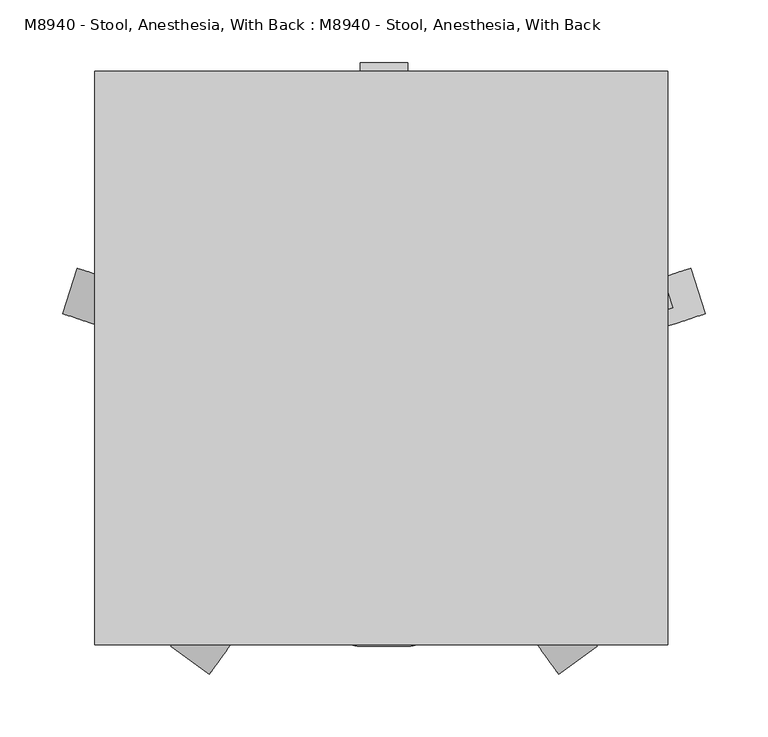
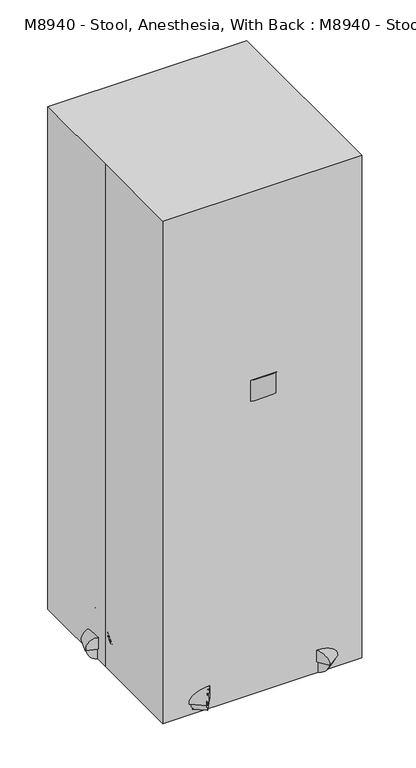
"""IFC4 building model written with IfcOpenShell, lengths in millimetres: proxy geometry, M8940 - Stool, Anesthesia, With Back : M8940 - Stool, Anesthesia, With Back."""

import ifcopenshell
import ifcopenshell.guid

model = None  # the IFC model being written
_history = None  # IfcOwnerHistory: only IFC2X3 demands one
_inside = {}  # id of a spatial element -> (the spatial element, [elements in it])
_under = {}  # id of a project, library or spatial element -> (it, [spatial elements below it])
_declared = {}  # id of a project -> (the project, [libraries it declares])
_typed = {}  # id of a type object -> (the type object, [elements of that type])
_made_of = {}  # id of a material, layer set ... -> (it, [elements and type objects made of it])


def new_model(schema):
    """Start an empty IFC model of exactly this schema.

    Asked for "IFC4X3", IfcOpenShell would pick the latest addendum, in which some entities
    have other attributes; the version numbers below select the first issue.
    IFC2X3 requires an IfcOwnerHistory on every rooted entity: one is made here for all.
    """
    global model, _history
    if schema == "IFC4X3":
        model = ifcopenshell.file(schema_version=(4, 3, 0, 0))
    else:
        model = ifcopenshell.file(schema=schema)
    _inside.clear()
    _under.clear()
    _declared.clear()
    _typed.clear()
    _made_of.clear()
    _history = None
    if model.schema == "IFC2X3":
        org = make("IfcOrganization", Name="unknown")
        user = make(
            "IfcPersonAndOrganization",
            ThePerson=make("IfcPerson", FamilyName="unknown"),
            TheOrganization=org,
        )
        app = make(
            "IfcApplication",
            ApplicationDeveloper=org,
            Version="unknown",
            ApplicationFullName="unknown",
            ApplicationIdentifier="unknown",
        )
        _history = make(
            "IfcOwnerHistory",
            OwningUser=user,
            OwningApplication=app,
            ChangeAction="ADDED",
            CreationDate=0,
        )
    return model


def make(cls, **values):
    """One entity of the class cls with the attributes given. An attribute that is None is left unset."""
    return model.create_entity(
        cls, **{name: value for name, value in values.items() if value is not None}
    )


def rooted(cls, **values):
    """An entity with a GlobalId (a new one), such as an element, a storey or a relation."""
    return make(cls, GlobalId=ifcopenshell.guid.new(), OwnerHistory=_history, **values)


def si_unit(unit_type, name, prefix=None):
    """IfcSIUnit, for example si_unit("LENGTHUNIT", "METRE", prefix="MILLI")."""
    return make("IfcSIUnit", UnitType=unit_type, Prefix=prefix, Name=name)


def assignment(units):
    """IfcUnitAssignment: the units of a project."""
    return None if units is None else make("IfcUnitAssignment", Units=units)


def point(xyz):
    """IfcCartesianPoint."""
    return None if xyz is None else make("IfcCartesianPoint", Coordinates=xyz)


def direction(xyz):
    """IfcDirection."""
    return None if xyz is None else make("IfcDirection", DirectionRatios=xyz)


def frame(location, z_axis=None, x_axis=None):
    """IfcAxis2Placement3D, a coordinate frame: its origin and axes. An axis left out is left unset."""
    return make(
        "IfcAxis2Placement3D",
        Location=point(location),
        Axis=direction(z_axis),
        RefDirection=direction(x_axis),
    )


def frame_2d(location, x_axis=None):
    """IfcAxis2Placement2D, a coordinate frame in the plane: its origin and x axis."""
    return make(
        "IfcAxis2Placement2D", Location=point(location), RefDirection=direction(x_axis)
    )


def origin():
    """The frame at (0, 0, 0) with its axes left unset."""
    return frame((0.0, 0.0, 0.0))


def origin_with_axes():
    """The frame at (0, 0, 0) with the z axis (0, 0, 1) and the x axis (1, 0, 0) written out."""
    return frame((0.0, 0.0, 0.0), z_axis=(0.0, 0.0, 1.0), x_axis=(1.0, 0.0, 0.0))


def place(relative_to, where):
    """IfcLocalPlacement: puts the frame where relative to a parent placement (None: the world)."""
    return make(
        "IfcLocalPlacement", PlacementRelTo=relative_to, RelativePlacement=where
    )


def context(
    kind, dimensions, precision=None, world=None, true_north=None, identifier=None
):
    """IfcGeometricRepresentationContext, for example the 3D "Model" context."""
    return make(
        "IfcGeometricRepresentationContext",
        ContextIdentifier=identifier,
        ContextType=kind,
        CoordinateSpaceDimension=dimensions,
        Precision=precision,
        WorldCoordinateSystem=world,
        TrueNorth=true_north,
    )


def project(units=None, contexts=None):
    """IfcProject with its units and contexts."""
    return rooted(
        "IfcProject",
        Name="project",
        RepresentationContexts=contexts,
        UnitsInContext=assignment(units),
    )


def spatial(cls, under=None, at=None, **own):
    """A site, building, storey or space (cls), placed at a placement, below another one or the project."""
    s = rooted(cls, ObjectPlacement=at, **own)
    if under is not None:
        _under.setdefault(under.id(), (under, []))[1].append(s)
    return s


def polyline(points):
    """IfcPolyline through the points."""
    return make("IfcPolyline", Points=[point(p) for p in points])


def circle_curve(where, radius):
    """IfcCircle in the frame where."""
    return make("IfcCircle", Position=where, Radius=radius)


def trimmed(basis, trim1, trim2, sense, master):
    """IfcTrimmedCurve: the piece of a basis curve between two trims."""
    return make(
        "IfcTrimmedCurve",
        BasisCurve=basis,
        Trim1=trim1,
        Trim2=trim2,
        SenseAgreement=sense,
        MasterRepresentation=master,
    )


def segment(curve, same_sense, transition):
    """IfcCompositeCurveSegment."""
    return make(
        "IfcCompositeCurveSegment",
        Transition=transition,
        SameSense=same_sense,
        ParentCurve=curve,
    )


def composite_curve(segments, self_intersect=None):
    """IfcCompositeCurve: segments joined end to end."""
    return make("IfcCompositeCurve", Segments=segments, SelfIntersect=self_intersect)


def outline(outer, holes=None, kind="AREA"):
    """IfcArbitraryClosedProfileDef: a profile drawn as a closed curve; with holes, ...WithVoids."""
    if holes is None:
        return make("IfcArbitraryClosedProfileDef", ProfileType=kind, OuterCurve=outer)
    return make(
        "IfcArbitraryProfileDefWithVoids",
        ProfileType=kind,
        OuterCurve=outer,
        InnerCurves=holes,
    )


def extrude(swept, where, along, depth):
    """IfcExtrudedAreaSolid: the profile swept, set in the frame where, extruded along a direction by depth."""
    return make(
        "IfcExtrudedAreaSolid",
        SweptArea=swept,
        Position=where,
        ExtrudedDirection=direction(along),
        Depth=depth,
    )


def shape(context_of_items, identifier, shape_type, items):
    """IfcShapeRepresentation: the items that make up one representation, for example the "Body"."""
    return make(
        "IfcShapeRepresentation",
        ContextOfItems=context_of_items,
        RepresentationIdentifier=identifier,
        RepresentationType=shape_type,
        Items=items,
    )


def source(mapping_origin, context_of_items, identifier, shape_type, items):
    """IfcRepresentationMap: a shape defined once, which mapped items show again and again."""
    return make(
        "IfcRepresentationMap",
        MappingOrigin=mapping_origin,
        MappedRepresentation=shape(context_of_items, identifier, shape_type, items),
    )


def transform(
    local_origin,
    x_axis=None,
    y_axis=None,
    z_axis=None,
    scale=None,
    scale2=None,
    scale3=None,
    uniform=True,
):
    """IfcCartesianTransformationOperator3D, or its non-uniform kind. x_axis, y_axis, z_axis: its Axis1, 2, 3."""
    if uniform:
        return make(
            "IfcCartesianTransformationOperator3D",
            Axis1=direction(x_axis),
            Axis2=direction(y_axis),
            LocalOrigin=point(local_origin),
            Scale=scale,
            Axis3=direction(z_axis),
        )
    return make(
        "IfcCartesianTransformationOperator3DnonUniform",
        Axis1=direction(x_axis),
        Axis2=direction(y_axis),
        LocalOrigin=point(local_origin),
        Scale=scale,
        Axis3=direction(z_axis),
        Scale2=scale2,
        Scale3=scale3,
    )


def mapped(mapping_source, mapping_target):
    """IfcMappedItem: shows the shape of a source again, moved by a transform."""
    return make(
        "IfcMappedItem", MappingSource=mapping_source, MappingTarget=mapping_target
    )


def made_of(thing, what):
    """Note that an element or type object is made of a material, layer set ...; save() writes the relation."""
    if what is not None:
        _made_of.setdefault(what.id(), (what, []))[1].append(thing)
    return thing


def element(
    cls,
    number,
    at=None,
    inside=None,
    cuts=None,
    type_object=None,
    material=None,
    context=None,
    identifier="Body",
    shape_type=None,
    held_by="IfcProductDefinitionShape",
    body=None,
    shapes=None,
    **own,
):
    """One element of the class cls, such as IfcWall. Its Tag is "e" and its number.

    at: its placement. inside: the storey or other place that contains it. cuts: it is an
    opening in that element (IfcRelVoidsElement). A single representation is given by context,
    identifier, shape_type and body (its items); several are given by shapes. held_by: the class
    of the entity that holds the representations. save() writes the other relations.
    """
    e = rooted(cls, Tag="e%d" % number, ObjectPlacement=at, **own)
    if body is not None:
        shapes = [shape(context, identifier, shape_type, body)]
    if shapes is not None:
        e.Representation = make(held_by, Representations=shapes)
    if inside is not None:
        _inside.setdefault(inside.id(), (inside, []))[1].append(e)
    if cuts is not None:
        rooted(
            "IfcRelVoidsElement", RelatingBuildingElement=cuts, RelatedOpeningElement=e
        )
    if type_object is not None:
        _typed.setdefault(type_object.id(), (type_object, []))[1].append(e)
    return made_of(e, material)


def aggregate(whole, parts):
    """IfcRelAggregates: a whole, such as a stair, and the parts it consists of."""
    return rooted("IfcRelAggregates", RelatingObject=whole, RelatedObjects=parts)


def save(model, path):
    """Write the relations noted so far, then the file.

    IfcRelAggregates (storeys below a building ...), IfcRelContainedInSpatialStructure (elements
    in a storey), IfcRelDefinesByType, IfcRelAssociatesMaterial and IfcRelDeclares: one each for
    every whole, place, type object, material and project.
    """
    for whole, parts in _under.values():
        aggregate(whole, parts)
    for where, things in _inside.values():
        rooted(
            "IfcRelContainedInSpatialStructure",
            RelatedElements=things,
            RelatingStructure=where,
        )
    for kind, things in _typed.values():
        rooted("IfcRelDefinesByType", RelatedObjects=things, RelatingType=kind)
    for what, things in _made_of.values():
        rooted("IfcRelAssociatesMaterial", RelatedObjects=things, RelatingMaterial=what)
    for by, libraries in _declared.values():
        rooted("IfcRelDeclares", RelatingContext=by, RelatedDefinitions=libraries)
    model.write(path)


def m8940_stool_anesthesia_with_back_m8940_stool_anesthesia_with_8ebeb866(model_context):
    return source(origin(), model_context, "Body", "SweptSolid", [
        extrude(outline(polyline([(194.3763903, 810.4581371), (208.5714887, 647.7), (184.5195063, 647.7), (184.5195063, 712.4539826), (177.5948633, 811.4809912), (183.2342494, 869.54322), (199.9573639, 867.9189609), (194.3763903, 810.4581371)])), frame((-19.05, 0.0, 0.0), z_axis=(1.0, 0.0, 0.0), x_axis=(0.0, 1.0, 0.0)), (0.0, 0.0, 1.0), 40.4715924),
        extrude(outline(polyline([(212.9379653, 1088.7460454), (220.4916014, 1088.2178437), (226.7876108, 1060.1366292), (227.1133835, 1030.1498522), (216.2197136, 905.6346351), (207.041074, 851.2346071), (199.8242973, 838.5950393), (173.8183734, 840.8702628), (172.2507076, 873.7249491), (173.2697332, 883.4203304), (177.5608694, 914.372785), (182.4541996, 970.3038054), (186.0820596, 1011.7704347), (187.3514924, 1026.2801181), (188.9012405, 1074.513667), (189.8813283, 1085.716122), (212.9379653, 1088.7460454)])), frame((-209.55, 0.0, 0.0), z_axis=(1.0, 0.0, 0.0), x_axis=(0.0, 1.0, 0.0)), (0.0, 0.0, 1.0), 406.4),
        extrude(outline(composite_curve([segment(polyline([(20.4732576, 184.5195063), (20.4732576, -10.9732945)]), True, "CONTINUOUS"), segment(trimmed(circle_curve(frame_2d((1.7968221, -27.0144229)), 24.6196474), [point((20.4732576, -10.9732945))], [point((-16.8796133, -10.9732945))], True, "CARTESIAN"), True, "CONTINUOUS"), segment(polyline([(-16.8796133, -10.9732945), (-16.8796133, 184.5195063), (20.4732576, 184.5195063)]), True, "CONTINUOUS")], self_intersect=False)), frame((0.0, 0.0, 647.7), z_axis=(0.0, 0.0, 1.0), x_axis=(1.0, 0.0, 0.0)), (0.0, 0.0, 1.0), 38.1),
        extrude(outline(composite_curve([segment(trimmed(circle_curve(frame_2d((2.1703867, -27.8442581)), 203.2), [point((-201.0296133, -27.8442581))], [point((205.3703867, -27.8442581))], False, "CARTESIAN"), True, "CONTINUOUS"), segment(trimmed(circle_curve(frame_2d((2.1703867, -27.8442581)), 203.2), [point((205.3703867, -27.8442581))], [point((-201.0296133, -27.8442581))], False, "CARTESIAN"), True, "CONTINUOUS")], self_intersect=False)), frame((0.0, 0.0, 711.2), z_axis=(0.0, 0.0, 1.0), x_axis=(1.0, 0.0, 0.0)), (0.0, 0.0, 1.0), 50.8),
        extrude(outline(composite_curve([segment(trimmed(circle_curve(frame_2d((0.0, -25.7612183)), 25.7612183), [point((0.0, -51.5224365))], [point((0.0, 0.0))], False, "CARTESIAN"), True, "CONTINUOUS"), segment(trimmed(circle_curve(frame_2d((0.0, -25.7612183)), 25.7612183), [point((0.0, 0.0))], [point((0.0, -51.5224365))], False, "CARTESIAN"), True, "CONTINUOUS")], self_intersect=False)), frame((255.027118, 37.6219114, 25.7612183), z_axis=(-0.3090169943748919, 0.9510565162951716, 0.0), x_axis=(0.0, 0.0, 1.0)), (0.0, 0.0, 1.0), 31.75),
        extrude(outline(composite_curve([segment(polyline([(-57.1058785, 0.0), (-0.678315, 0.0)]), True, "CONTINUOUS"), segment(trimmed(circle_curve(frame_2d((-28.8920967, 0.0)), 28.2137817), [point((-0.678315, 0.0))], [point((-57.1058785, 0.0))], False, "CARTESIAN"), True, "CONTINUOUS")], self_intersect=False)), frame((258.9858893, 35.5698017, 25.7612183), z_axis=(-0.30901699437489194, 0.9510565162951716, 0.0), x_axis=(0.9510565162951716, 0.30901699437489194, 0.0)), (0.0, 0.0, 1.0), 38.1),
        extrude(outline(composite_curve([segment(trimmed(circle_curve(frame_2d((225.6213344, 44.7585541)), 3.5091751), [point((224.5369397, 48.0959779))], [point((226.7057291, 41.4211302))], False, "CARTESIAN"), True, "CONTINUOUS"), segment(trimmed(circle_curve(frame_2d((225.6213344, 44.7585541)), 3.5091751), [point((226.7057291, 41.4211302))], [point((224.5369397, 48.0959779))], False, "CARTESIAN"), True, "CONTINUOUS")], self_intersect=False)), frame((0.0, 0.0, 53.975), z_axis=(0.0, 0.0, 1.0), x_axis=(1.0, 0.0, 0.0)), (0.0, 0.0, 1.0), 13.49375),
        extrude(outline(polyline([(232.199718, 40.2196229), (27.5682802, -26.2691618), (23.6440039, -14.1914812), (228.2754417, 52.2973034), (232.199718, 40.2196229)])), frame((0.0, 0.0, 67.46875), z_axis=(0.0, 0.0, 1.0), x_axis=(1.0, 0.0, 0.0)), (0.0, 0.0, 1.0), 50.8),
        extrude(outline(composite_curve([segment(trimmed(circle_curve(frame_2d((0.0, -25.7612182)), 25.7612183), [point((0.0, -51.5224365))], [point((0.0, 0.0))], False, "CARTESIAN"), True, "CONTINUOUS"), segment(trimmed(circle_curve(frame_2d((0.0, -25.7612182)), 25.7612183), [point((0.0, 0.0))], [point((0.0, -51.5224365))], False, "CARTESIAN"), True, "CONTINUOUS")], self_intersect=False)), frame((142.5694409, -248.0951411, 25.7612183), z_axis=(0.8090169943749846, 0.5877852522924221, 0.0), x_axis=(0.0, 0.0, 1.0)), (0.0, 0.0, 1.0), 31.75),
        extrude(outline(composite_curve([segment(polyline([(-57.1058785, 0.0), (-0.6783151, 0.0)]), True, "CONTINUOUS"), segment(trimmed(circle_curve(frame_2d((-28.8920968, 0.0)), 28.2137817), [point((-0.6783151, 0.0))], [point((-57.1058785, 0.0))], False, "CARTESIAN"), True, "CONTINUOUS")], self_intersect=False)), frame((141.8410962, -252.4942932, 25.7612183), z_axis=(0.8090169943749845, 0.587785252292422, 0.0), x_axis=(0.587785252292422, -0.8090169943749845, 0.0)), (0.0, 0.0, 1.0), 38.1),
        extrude(outline(composite_curve([segment(trimmed(circle_curve(frame_2d((140.2699045, -217.9232351)), 3.5091751), [point((143.1088868, -215.8605938))], [point((137.4309222, -219.9858765))], False, "CARTESIAN"), True, "CONTINUOUS"), segment(trimmed(circle_curve(frame_2d((140.2699045, -217.9232351)), 3.5091751), [point((137.4309222, -219.9858765))], [point((143.1088868, -215.8605938))], False, "CARTESIAN"), True, "CONTINUOUS")], self_intersect=False)), frame((0.0, 0.0, 53.975), z_axis=(0.0, 0.0, 1.0), x_axis=(1.0, 0.0, 0.0)), (0.0, 0.0, 1.0), 13.49375),
        extrude(outline(polyline([(137.9859568, -225.5822566), (11.516773, -51.5123586), (21.7906618, -44.0479415), (148.2598455, -218.1178395), (137.9859568, -225.5822566)])), frame((0.0, 0.0, 67.46875), z_axis=(0.0, 0.0, 1.0), x_axis=(1.0, 0.0, 0.0)), (0.0, 0.0, 1.0), 50.8),
        extrude(outline(composite_curve([segment(trimmed(circle_curve(frame_2d((0.0, -25.7612183)), 25.7612183), [point((0.0, -51.5224365))], [point((0.0, 0.0))], False, "CARTESIAN"), True, "CONTINUOUS"), segment(trimmed(circle_curve(frame_2d((0.0, -25.7612183)), 25.7612183), [point((0.0, 0.0))], [point((0.0, -51.5224365))], False, "CARTESIAN"), True, "CONTINUOUS")], self_intersect=False)), frame((-138.2286675, -248.0951411, 25.7612183), z_axis=(-0.8090169943749151, 0.5877852522925178, 0.0), x_axis=(0.0, 0.0, -1.0)), (0.0, 0.0, 1.0), 31.75),
        extrude(outline(composite_curve([segment(trimmed(circle_curve(frame_2d((28.8920967, 0.0)), 28.2137817), [point((57.1058785, 0.0))], [point((0.678315, 0.0))], False, "CARTESIAN"), True, "CONTINUOUS"), segment(polyline([(0.678315, 0.0), (57.1058785, 0.0)]), True, "CONTINUOUS")], self_intersect=False)), frame((-137.5003227, -252.4942932, 25.7612183), z_axis=(-0.809016994374915, 0.5877852522925177, 0.0), x_axis=(0.5877852522925177, 0.809016994374915, 0.0)), (0.0, 0.0, 1.0), 38.1),
        extrude(outline(composite_curve([segment(trimmed(circle_curve(frame_2d((-135.9303651, -217.9223386)), 3.5091751), [point((-133.0913828, -219.98498))], [point((-138.7693474, -215.8596972))], False, "CARTESIAN"), True, "CONTINUOUS"), segment(trimmed(circle_curve(frame_2d((-135.9303651, -217.9223386)), 3.5091751), [point((-138.7693474, -215.8596972))], [point((-133.0913828, -219.98498))], False, "CARTESIAN"), True, "CONTINUOUS")], self_intersect=False)), frame((0.0, 0.0, 53.975), z_axis=(0.0, 0.0, 1.0), x_axis=(1.0, 0.0, 0.0)), (0.0, 0.0, 1.0), 13.49375),
        extrude(outline(polyline([(-143.9203061, -218.116943), (-17.4511223, -44.047045), (-7.1772336, -51.5114621), (-133.6464173, -225.58136), (-143.9203061, -218.116943)])), frame((0.0, 0.0, 67.46875), z_axis=(0.0, 0.0, 1.0), x_axis=(1.0, 0.0, 0.0)), (0.0, 0.0, 1.0), 50.8),
        extrude(outline(composite_curve([segment(trimmed(circle_curve(frame_2d((0.0, -25.7612183)), 25.7612183), [point((0.0, -51.5224365))], [point((0.0, 0.0))], False, "CARTESIAN"), True, "CONTINUOUS"), segment(trimmed(circle_curve(frame_2d((0.0, -25.7612183)), 25.7612183), [point((0.0, 0.0))], [point((0.0, -51.5224365))], False, "CARTESIAN"), True, "CONTINUOUS")], self_intersect=False)), frame((-250.6863446, 37.6219114, 25.7612183), z_axis=(0.3090169943749793, 0.9510565162951433, 0.0), x_axis=(0.0, 0.0, -1.0)), (0.0, 0.0, 1.0), 31.75),
        extrude(outline(composite_curve([segment(trimmed(circle_curve(frame_2d((28.8920968, 0.0)), 28.2137817), [point((57.1058785, 0.0))], [point((0.678315, 0.0))], False, "CARTESIAN"), True, "CONTINUOUS"), segment(polyline([(0.678315, 0.0), (57.1058785, 0.0)]), True, "CONTINUOUS")], self_intersect=False)), frame((-254.6451159, 35.5698017, 25.7612183), z_axis=(0.3090169943749793, 0.9510565162951432, 0.0), x_axis=(0.9510565162951432, -0.3090169943749793, 0.0)), (0.0, 0.0, 1.0), 38.1),
        extrude(outline(composite_curve([segment(trimmed(circle_curve(frame_2d((-221.2800896, 44.7600047)), 3.5091751), [point((-222.3644844, 41.4225809))], [point((-220.1956949, 48.0974286))], False, "CARTESIAN"), True, "CONTINUOUS"), segment(trimmed(circle_curve(frame_2d((-221.2800896, 44.7600047)), 3.5091751), [point((-220.1956949, 48.0974286))], [point((-222.3644844, 41.4225809))], False, "CARTESIAN"), True, "CONTINUOUS")], self_intersect=False)), frame((0.0, 0.0, 53.975), z_axis=(0.0, 0.0, 1.0), x_axis=(1.0, 0.0, 0.0)), (0.0, 0.0, 1.0), 13.49375),
        extrude(outline(polyline([(-223.9341969, 52.2987541), (-19.3027591, -14.1900305), (-23.2270354, -26.2677111), (-227.8584732, 40.2210735), (-223.9341969, 52.2987541)])), frame((0.0, 0.0, 67.46875), z_axis=(0.0, 0.0, 1.0), x_axis=(1.0, 0.0, 0.0)), (0.0, 0.0, 1.0), 50.8),
        extrude(outline(composite_curve([segment(trimmed(circle_curve(frame_2d((207.1057246, 25.7612183)), 25.7612183), [point((181.3445063, 25.7612183))], [point((232.8669428, 25.7612183))], False, "CARTESIAN"), True, "CONTINUOUS"), segment(trimmed(circle_curve(frame_2d((207.1057246, 25.7612183)), 25.7612183), [point((232.8669428, 25.7612183))], [point((181.3445063, 25.7612183))], False, "CARTESIAN"), True, "CONTINUOUS")], self_intersect=False)), frame((-13.7046133, 0.0, 0.0), z_axis=(1.0, 0.0, 0.0), x_axis=(0.0, 1.0, 0.0)), (0.0, 0.0, 1.0), 31.75),
        extrude(outline(composite_curve([segment(trimmed(circle_curve(frame_2d((207.1057246, 25.7612183)), 28.2137817), [point((178.8919428, 25.7612183))], [point((235.3195063, 25.7612183))], False, "CARTESIAN"), True, "CONTINUOUS"), segment(polyline([(235.3195063, 25.7612183), (178.8919428, 25.7612183)]), True, "CONTINUOUS")], self_intersect=False)), frame((-16.8796133, 0.0, 0.0), z_axis=(1.0, 0.0, 0.0), x_axis=(0.0, 1.0, 0.0)), (0.0, 0.0, 1.0), 38.1),
        extrude(outline(composite_curve([segment(trimmed(circle_curve(frame_2d((2.1711494, 207.1057246)), 3.5091751), [point((-1.3380257, 207.1057246))], [point((5.6803245, 207.1057246))], False, "CARTESIAN"), True, "CONTINUOUS"), segment(trimmed(circle_curve(frame_2d((2.1711494, 207.1057246)), 3.5091751), [point((5.6803245, 207.1057246))], [point((-1.3380257, 207.1057246))], False, "CARTESIAN"), True, "CONTINUOUS")], self_intersect=False)), frame((0.0, 0.0, 53.975), z_axis=(0.0, 0.0, 1.0), x_axis=(1.0, 0.0, 0.0)), (0.0, 0.0, 1.0), 13.49375),
        extrude(outline(polyline([(8.5207618, 211.9595323), (8.5207618, -3.2026944), (-4.178463, -3.2026944), (-4.178463, 211.9595323), (8.5207618, 211.9595323)])), frame((0.0, 0.0, 67.46875), z_axis=(0.0, 0.0, 1.0), x_axis=(1.0, 0.0, 0.0)), (0.0, 0.0, 1.0), 50.8),
        extrude(outline(composite_curve([segment(trimmed(circle_curve(frame_2d((2.1703867, -27.8442581)), 25.4466483), [point((-23.2762616, -27.8442581))], [point((27.6170351, -27.8442581))], False, "CARTESIAN"), True, "CONTINUOUS"), segment(trimmed(circle_curve(frame_2d((2.1703867, -27.8442581)), 25.4466483), [point((27.6170351, -27.8442581))], [point((-23.2762616, -27.8442581))], False, "CARTESIAN"), True, "CONTINUOUS")], self_intersect=False)), frame((0.0, 0.0, 67.46875), z_axis=(0.0, 0.0, 1.0), x_axis=(1.0, 0.0, 0.0)), (0.0, 0.0, 1.0), 643.73125),
        extrude(outline(polyline([(-228.6, 228.6), (228.6, 228.6), (228.6, -228.6), (-228.6, -228.6), (-228.6, 0.0), (-228.6, 228.6)])), origin_with_axes(), (0.0, 0.0, 1.0), 1219.2),
    ])


if __name__ == "__main__":
    model = new_model("IFC4")
    model_context = context("Model", 3, world=origin())
    ifc_project = project(units=[si_unit("LENGTHUNIT", "METRE", prefix="MILLI")], contexts=[model_context])
    site = spatial("IfcSite", under=ifc_project)
    building = spatial("IfcBuilding", under=site)
    placement = place(None, origin())
    m8940_stool_anesthesia_with_back_m8940_stool_anesthesia_with_shape = m8940_stool_anesthesia_with_back_m8940_stool_anesthesia_with_8ebeb866(model_context)
    element("IfcBuildingElementProxy", 1, Name="M8940 - Stool, Anesthesia, With Back : M8940 - Stool, Anesthesia, With Back", ObjectType="M8940 - Stool, Anesthesia, With Back : M8940 - Stool, Anesthesia, With Back", at=placement, inside=building, context=model_context, shape_type="MappedRepresentation", body=[
        mapped(m8940_stool_anesthesia_with_back_m8940_stool_anesthesia_with_shape, transform((0.0, 0.0, 0.0), x_axis=(1.0, 0.0, 0.0), y_axis=(0.0, 1.0, 0.0), z_axis=(0.0, 0.0, 1.0))),
    ])
    save(model, "model.ifc")
